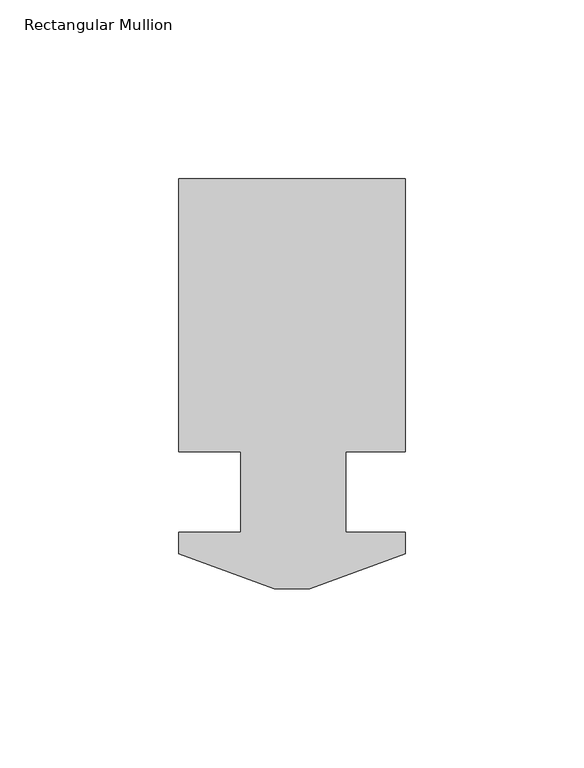
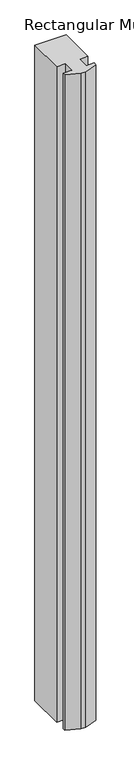
"""IFC4 building model written with IfcOpenShell, lengths in millimetres: member geometry, Rectangular Mullion."""

from ifc_helpers import new_model, si_unit, frame, origin, place, context, project, spatial, polyline, outline, extrude, source, transform, mapped, element, save


def rectangular_mullion_660c8a14(model_context):
    return source(origin(), model_context, "Body", "SweptSolid", [
        extrude(outline(polyline([(4.9272021, 0.168275), (-4.9772064, 0.168275), (-31.7750021, 9.921875), (-31.7750021, 16.017875), (-14.2875, 16.017875), (-14.2875, 38.496875), (-31.75, 38.496875), (-31.75, 115.027075), (31.75, 115.027075), (31.75, 38.496875), (15.065769, 38.496875), (15.065769, 16.017875), (31.7249979, 16.017875), (31.7249979, 9.921875), (4.9272021, 0.168275)])), frame((0.0, 0.0, -1409.7), z_axis=(0.0, 0.0, 1.0), x_axis=(1.0, 0.0, 0.0)), (0.0, 0.0, 1.0), 1409.7),
    ])


if __name__ == "__main__":
    model = new_model("IFC4")
    model_context = context("Model", 3, world=origin())
    ifc_project = project(units=[si_unit("LENGTHUNIT", "METRE", prefix="MILLI")], contexts=[model_context])
    site = spatial("IfcSite", under=ifc_project)
    building = spatial("IfcBuilding", under=site)
    placement = place(None, origin())
    rectangular_mullion_shape = rectangular_mullion_660c8a14(model_context)
    element("IfcMember", 1, ObjectType="Rectangular Mullion", at=placement, inside=building, context=model_context, shape_type="MappedRepresentation", body=[
        mapped(rectangular_mullion_shape, transform((0.0, 0.0, 0.0), x_axis=(1.0, 0.0, 0.0), y_axis=(0.0, 1.0, 0.0), z_axis=(0.0, 0.0, 1.0))),
    ])
    save(model, "model.ifc")
